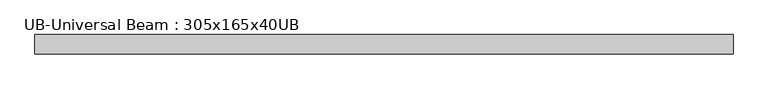
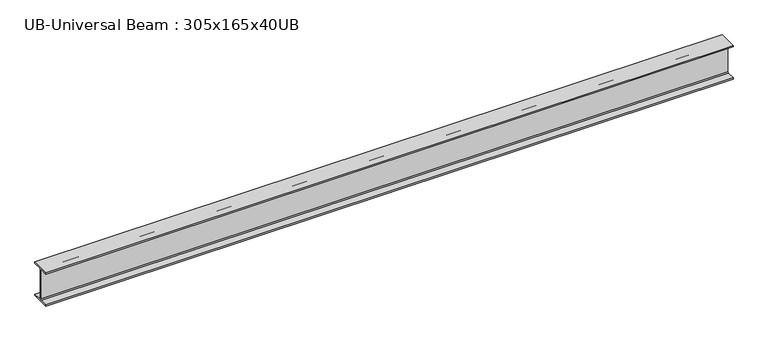
"""IFC4 building model written with IfcOpenShell, lengths in millimetres: beam geometry, UB-Universal Beam : 305x165x40UB."""

from ifc_helpers import new_model, si_unit, point, frame, frame_2d, origin, place, context, project, spatial, polyline, circle_curve, trimmed, segment, composite_curve, outline, extrude, source, transform, mapped, element, save


def ub_universal_beam_305x165x40ub_34444001(model_context):
    return source(origin(), model_context, "Body", "SweptSolid", [
        extrude(outline(composite_curve([segment(polyline([(82.5, -141.5), (82.5, -151.7), (-82.5, -151.7), (-82.5, -141.5), (-11.9, -141.5)]), True, "CONTINUOUS"), segment(trimmed(circle_curve(frame_2d((-11.9, -132.6)), 8.9), [point((-11.9, -141.5))], [point((-3.0, -132.6))], True, "CARTESIAN"), True, "CONTINUOUS"), segment(polyline([(-3.0, -132.6), (-3.0, 132.6)]), True, "CONTINUOUS"), segment(trimmed(circle_curve(frame_2d((-11.9, 132.6)), 8.9), [point((-3.0, 132.6))], [point((-11.9, 141.5))], True, "CARTESIAN"), True, "CONTINUOUS"), segment(polyline([(-11.9, 141.5), (-82.5, 141.5), (-82.5, 151.7), (82.5, 151.7), (82.5, 141.5), (11.9, 141.5)]), True, "CONTINUOUS"), segment(trimmed(circle_curve(frame_2d((11.9, 132.6)), 8.9), [point((11.9, 141.5))], [point((3.0, 132.6))], True, "CARTESIAN"), True, "CONTINUOUS"), segment(polyline([(3.0, 132.6), (3.0, -132.6)]), True, "CONTINUOUS"), segment(trimmed(circle_curve(frame_2d((11.9, -132.6)), 8.9), [point((3.0, -132.6))], [point((11.9, -141.5))], True, "CARTESIAN"), True, "CONTINUOUS"), segment(polyline([(11.9, -141.5), (82.5, -141.5)]), True, "CONTINUOUS")], self_intersect=False)), frame((-2972.7438089, 0.0, 0.0), z_axis=(1.0, 0.0, 0.0), x_axis=(0.0, 1.0, 0.0)), (0.0, 0.0, 1.0), 5945.4876177),
    ])


if __name__ == "__main__":
    model = new_model("IFC4")
    model_context = context("Model", 3, world=origin())
    ifc_project = project(units=[si_unit("LENGTHUNIT", "METRE", prefix="MILLI")], contexts=[model_context])
    site = spatial("IfcSite", under=ifc_project)
    building = spatial("IfcBuilding", under=site)
    placement = place(None, origin())
    ub_universal_beam_305x165x40ub_shape = ub_universal_beam_305x165x40ub_34444001(model_context)
    element("IfcBeam", 1, ObjectType="UB-Universal Beam : 305x165x40UB", at=placement, inside=building, context=model_context, shape_type="MappedRepresentation", body=[
        mapped(ub_universal_beam_305x165x40ub_shape, transform((0.0, 0.0, 0.0), x_axis=(1.0, 0.0, 0.0), y_axis=(0.0, 1.0, 0.0), z_axis=(0.0, 0.0, 1.0))),
    ])
    save(model, "model.ifc")
